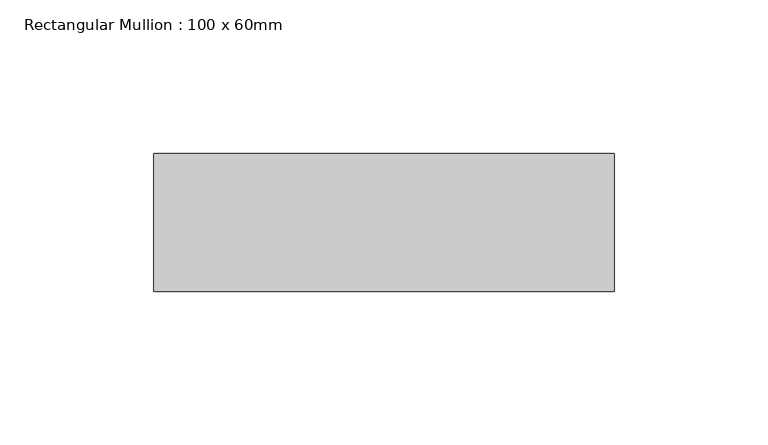
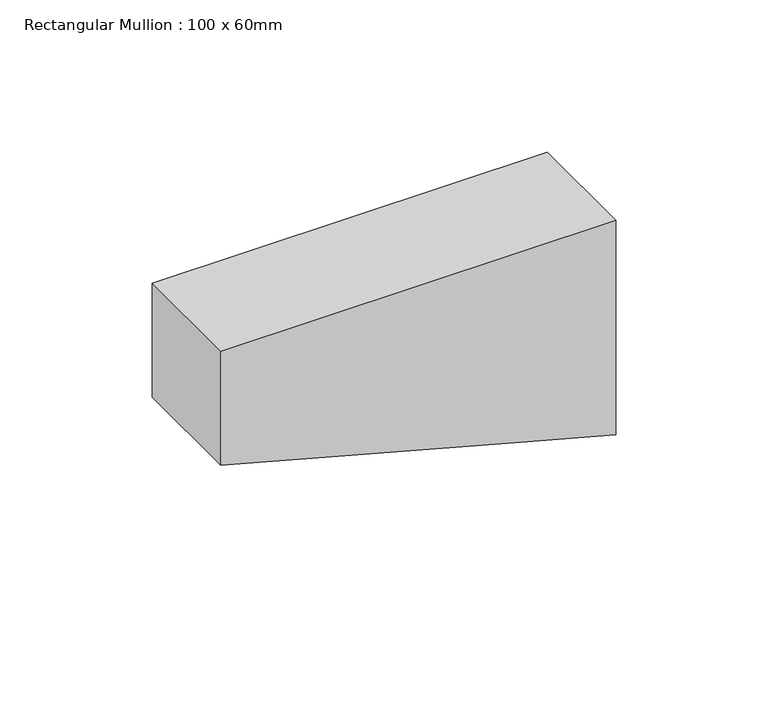
"""IFC4 building model written with IfcOpenShell, lengths in millimetres: member geometry, Rectangular Mullion : 100 x 60mm."""

from ifc_helpers import new_model, si_unit, frame, origin, place, context, project, spatial, polyline, outline, extrude, source, transform, mapped, element, save


def rectangular_mullion_100_x_60mm_f4997662(model_context):
    return source(origin(), model_context, "Body", "SweptSolid", [
        extrude(outline(polyline([(0.0, 75.0), (0.0, -75.0), (-45.8525327, -75.0), (-76.3512752, 38.8228568), (-86.0449115, 75.0), (0.0, 75.0)])), frame((0.0, -30.0, 0.0), z_axis=(0.0, 1.0, 0.0), x_axis=(0.0, 0.0, 1.0)), (0.0, 0.0, 1.0), 45.0),
    ])


if __name__ == "__main__":
    model = new_model("IFC4")
    model_context = context("Model", 3, world=origin())
    ifc_project = project(units=[si_unit("LENGTHUNIT", "METRE", prefix="MILLI")], contexts=[model_context])
    site = spatial("IfcSite", under=ifc_project)
    building = spatial("IfcBuilding", under=site)
    placement = place(None, origin())
    rectangular_mullion_100_x_60mm_shape = rectangular_mullion_100_x_60mm_f4997662(model_context)
    element("IfcMember", 1, ObjectType="Rectangular Mullion : 100 x 60mm", at=placement, inside=building, context=model_context, shape_type="MappedRepresentation", body=[
        mapped(rectangular_mullion_100_x_60mm_shape, transform((0.0, 0.0, 0.0), x_axis=(1.0, 0.0, 0.0), y_axis=(0.0, 1.0, 0.0), z_axis=(0.0, 0.0, 1.0))),
    ])
    save(model, "model.ifc")
